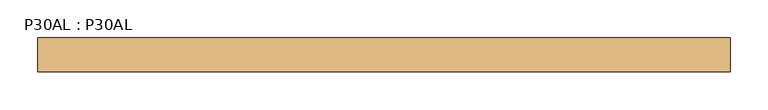
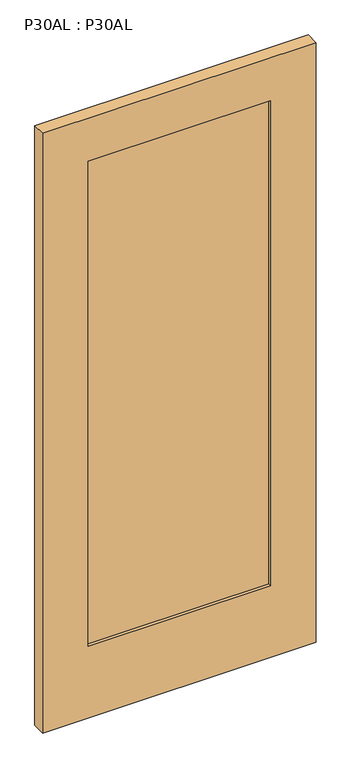
"""IFC4 building model written with IfcOpenShell, lengths in millimetres: door geometry, P30AL : P30AL."""

from ifc_helpers import new_model, si_unit, frame, origin, place, context, project, spatial, polyline, outline, extrude, source, transform, mapped, element, save


def p30al_p30al_509b6381(model_context):
    return source(origin(), model_context, "Body", "SweptSolid", [
        extrude(outline(polyline([(2133.6, 0.0), (15.875, 0.0), (15.875, 914.4), (2133.6, 914.4), (2133.6, 0.0)]), holes=[polyline([(1981.2, 152.4), (1981.2, 762.0), (269.875, 762.0), (269.875, 152.4), (1981.2, 152.4)])]), frame((0.0, 0.0, 0.0), z_axis=(0.0, 1.0, 0.0), x_axis=(0.0, 0.0, 1.0)), (0.0, 0.0, 1.0), 44.45),
        extrude(outline(polyline([(152.4, 9.525), (152.4, 34.925), (762.0, 34.925), (762.0, 9.525), (152.4, 9.525)])), frame((0.0, 0.0, 269.875), z_axis=(0.0, 0.0, 1.0), x_axis=(1.0, 0.0, 0.0)), (0.0, 0.0, 1.0), 1711.325),
    ])


if __name__ == "__main__":
    model = new_model("IFC4")
    model_context = context("Model", 3, world=origin())
    ifc_project = project(units=[si_unit("LENGTHUNIT", "METRE", prefix="MILLI")], contexts=[model_context])
    site = spatial("IfcSite", under=ifc_project)
    building = spatial("IfcBuilding", under=site)
    placement = place(None, origin())
    p30al_p30al_shape = p30al_p30al_509b6381(model_context)
    element("IfcDoor", 1, ObjectType="P30AL : P30AL", at=placement, inside=building, context=model_context, shape_type="MappedRepresentation", body=[
        mapped(p30al_p30al_shape, transform((0.0, 0.0, 0.0), x_axis=(1.0, 0.0, 0.0), y_axis=(0.0, 1.0, 0.0), z_axis=(0.0, 0.0, 1.0))),
    ])
    save(model, "model.ifc")
